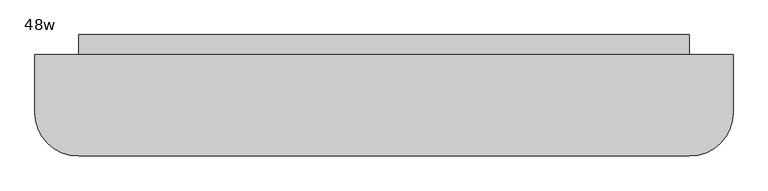
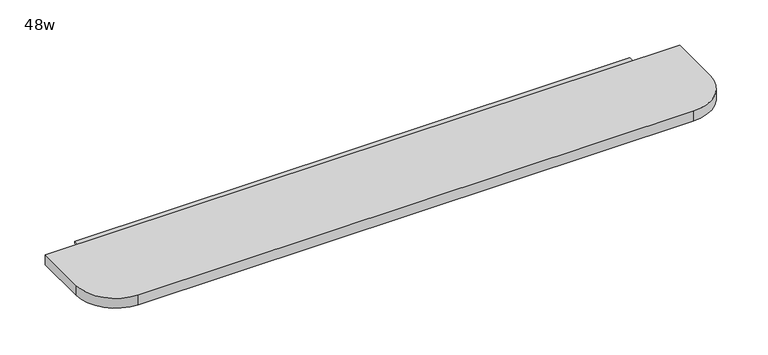
"""IFC4 building model written with IfcOpenShell, lengths in millimetres: furniture geometry, 48w."""

from ifc_helpers import new_model, si_unit, point, frame, frame_2d, origin, place, context, project, spatial, polyline, circle_curve, trimmed, segment, composite_curve, outline, extrude, source, transform, mapped, element, save


def furniture_48w_25386db9(model_context):
    return source(origin(), model_context, "Body", "SweptSolid", [
        extrude(outline(composite_curve([segment(polyline([(617.8409467, 545.9364026), (617.8409467, 428.8582776)]), True, "CONTINUOUS"), segment(trimmed(circle_curve(frame_2d((598.7909467, 428.8582776)), 19.05), [point((617.8409467, 428.8582776))], [point((598.7909467, 409.8082776))], False, "CARTESIAN"), True, "CONTINUOUS"), segment(polyline([(598.7909467, 409.8082776), (-429.9090533, 409.8082776)]), True, "CONTINUOUS"), segment(trimmed(circle_curve(frame_2d((-429.9090533, 428.8582776)), 19.05), [point((-429.9090533, 409.8082776))], [point((-448.9590533, 428.8582776))], False, "CARTESIAN"), True, "CONTINUOUS"), segment(polyline([(-448.9590533, 428.8582776), (-448.9590533, 545.9364026), (617.8409467, 545.9364026)]), True, "CONTINUOUS")], self_intersect=False)), frame((0.0, 0.0, 996.35945), z_axis=(0.0, 0.0, 1.0), x_axis=(1.0, 0.0, 0.0)), (0.0, 0.0, 1.0), 3.96875),
        extrude(outline(composite_curve([segment(polyline([(694.0409467, 511.4082776), (694.0409467, 409.8082776)]), True, "CONTINUOUS"), segment(trimmed(circle_curve(frame_2d((617.8409467, 409.8082776)), 76.2), [point((694.0409467, 409.8082776))], [point((617.8409467, 333.6082776))], False, "CARTESIAN"), True, "CONTINUOUS"), segment(polyline([(617.8409467, 333.6082776), (-448.9590533, 333.6082776)]), True, "CONTINUOUS"), segment(trimmed(circle_curve(frame_2d((-448.9590533, 409.8082776)), 76.2), [point((-448.9590533, 333.6082776))], [point((-525.1590533, 409.8082776))], False, "CARTESIAN"), True, "CONTINUOUS"), segment(polyline([(-525.1590533, 409.8082776), (-525.1590533, 511.4082776), (694.0409467, 511.4082776)]), True, "CONTINUOUS")], self_intersect=False)), frame((0.0, 0.0, 1000.3282), z_axis=(0.0, 0.0, 1.0), x_axis=(1.0, 0.0, 0.0)), (0.0, 0.0, 1.0), 19.9429687),
    ])


if __name__ == "__main__":
    model = new_model("IFC4")
    model_context = context("Model", 3, world=origin())
    ifc_project = project(units=[si_unit("LENGTHUNIT", "METRE", prefix="MILLI")], contexts=[model_context])
    site = spatial("IfcSite", under=ifc_project)
    building = spatial("IfcBuilding", under=site)
    placement = place(None, origin())
    furniture_48w_shape = furniture_48w_25386db9(model_context)
    element("IfcFurniture", 1, ObjectType="48w", at=placement, inside=building, context=model_context, shape_type="MappedRepresentation", body=[
        mapped(furniture_48w_shape, transform((0.0, 0.0, 0.0), x_axis=(1.0, 0.0, 0.0), y_axis=(0.0, 1.0, 0.0), z_axis=(0.0, 0.0, 1.0))),
    ])
    save(model, "model.ifc")
